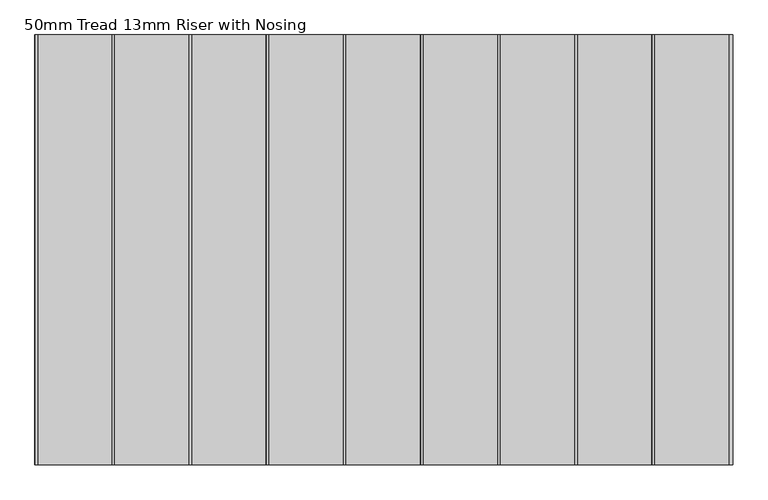
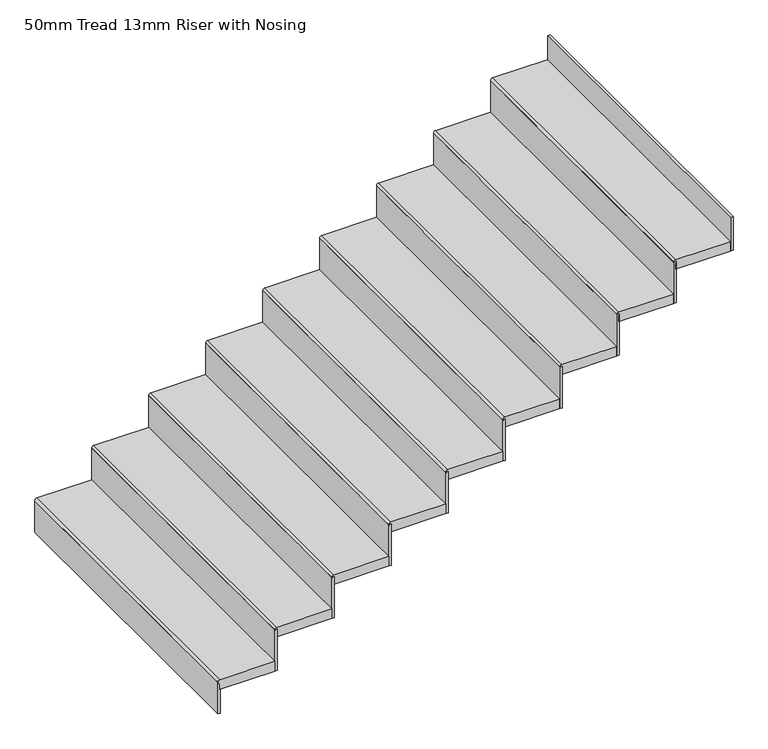
"""IFC4 building model written with IfcOpenShell, lengths in millimetres: stair flight geometry, 50mm Tread 13mm Riser with Nosing."""

from ifc_helpers import new_model, si_unit, point, frame, frame_2d, origin, place, context, project, spatial, polyline, circle_curve, trimmed, segment, composite_curve, outline, extrude, source, transform, mapped, element, save


def stair_flight_50mm_tread_13mm_riser_with_nosing_51b7e042(model_context):
    return source(origin(), model_context, "Body", "SweptSolid", [
        extrude(outline(composite_curve([segment(polyline([(10675.0, -23460.801725), (10675.0, -23730.801725)]), True, "CONTINUOUS"), segment(trimmed(circle_curve(frame_2d((10665.0, -23730.801725)), 10.0), [point((10675.0, -23730.801725))], [point((10655.0, -23730.801725))], False, "CARTESIAN"), True, "CONTINUOUS"), segment(polyline([(10655.0, -23730.801725), (10625.0, -23730.801725), (10625.0, -23460.801725), (10675.0, -23460.801725)]), True, "CONTINUOUS")], self_intersect=False)), frame((0.0, 15688.0068866, 0.0), z_axis=(0.0, 1.0, 0.0), x_axis=(0.0, 0.0, 1.0)), (0.0, 0.0, 1.0), 1558.6684835),
        extrude(outline(polyline([(-23728.301725, 15688.0068866), (-23740.801725, 15688.0068866), (-23740.801725, 17246.6753701), (-23728.301725, 17246.6753701), (-23728.301725, 15688.0068866)])), frame((0.0, 0.0, 10500.0), z_axis=(0.0, 0.0, 1.0), x_axis=(1.0, 0.0, 0.0)), (0.0, 0.0, 1.0), 165.0),
        extrude(outline(polyline([(-23448.301725, 15688.0068866), (-23460.801725, 15688.0068866), (-23460.801725, 17246.6753701), (-23448.301725, 17246.6753701), (-23448.301725, 15688.0068866)])), frame((0.0, 0.0, 10625.0), z_axis=(0.0, 0.0, 1.0), x_axis=(1.0, 0.0, 0.0)), (0.0, 0.0, 1.0), 215.0),
        extrude(outline(composite_curve([segment(polyline([(10850.0, -23180.801725), (10850.0, -23450.801725)]), True, "CONTINUOUS"), segment(trimmed(circle_curve(frame_2d((10840.0, -23450.801725)), 10.0), [point((10850.0, -23450.801725))], [point((10830.0, -23450.801725))], False, "CARTESIAN"), True, "CONTINUOUS"), segment(polyline([(10830.0, -23450.801725), (10800.0, -23450.801725), (10800.0, -23180.801725), (10850.0, -23180.801725)]), True, "CONTINUOUS")], self_intersect=False)), frame((0.0, 15688.0068866, 0.0), z_axis=(0.0, 1.0, 0.0), x_axis=(0.0, 0.0, 1.0)), (0.0, 0.0, 1.0), 1558.6684835),
        extrude(outline(polyline([(-23168.301725, 15688.0068866), (-23180.801725, 15688.0068866), (-23180.801725, 17246.6753701), (-23168.301725, 17246.6753701), (-23168.301725, 15688.0068866)])), frame((0.0, 0.0, 10800.0), z_axis=(0.0, 0.0, 1.0), x_axis=(1.0, 0.0, 0.0)), (0.0, 0.0, 1.0), 215.0),
        extrude(outline(composite_curve([segment(polyline([(11025.0, -22900.801725), (11025.0, -23170.801725)]), True, "CONTINUOUS"), segment(trimmed(circle_curve(frame_2d((11015.0, -23170.801725)), 10.0), [point((11025.0, -23170.801725))], [point((11005.0, -23170.801725))], False, "CARTESIAN"), True, "CONTINUOUS"), segment(polyline([(11005.0, -23170.801725), (10975.0, -23170.801725), (10975.0, -22900.801725), (11025.0, -22900.801725)]), True, "CONTINUOUS")], self_intersect=False)), frame((0.0, 15688.0068866, 0.0), z_axis=(0.0, 1.0, 0.0), x_axis=(0.0, 0.0, 1.0)), (0.0, 0.0, 1.0), 1558.6684835),
        extrude(outline(polyline([(-22888.301725, 15688.0068866), (-22900.801725, 15688.0068866), (-22900.801725, 17246.6753701), (-22888.301725, 17246.6753701), (-22888.301725, 15688.0068866)])), frame((0.0, 0.0, 10975.0), z_axis=(0.0, 0.0, 1.0), x_axis=(1.0, 0.0, 0.0)), (0.0, 0.0, 1.0), 215.0),
        extrude(outline(composite_curve([segment(polyline([(11200.0, -22620.801725), (11200.0, -22890.801725)]), True, "CONTINUOUS"), segment(trimmed(circle_curve(frame_2d((11190.0, -22890.801725)), 10.0), [point((11200.0, -22890.801725))], [point((11180.0, -22890.801725))], False, "CARTESIAN"), True, "CONTINUOUS"), segment(polyline([(11180.0, -22890.801725), (11150.0, -22890.801725), (11150.0, -22620.801725), (11200.0, -22620.801725)]), True, "CONTINUOUS")], self_intersect=False)), frame((0.0, 15688.0068866, 0.0), z_axis=(0.0, 1.0, 0.0), x_axis=(0.0, 0.0, 1.0)), (0.0, 0.0, 1.0), 1558.6684835),
        extrude(outline(polyline([(-22608.301725, 15688.0068866), (-22620.801725, 15688.0068866), (-22620.801725, 17246.6753701), (-22608.301725, 17246.6753701), (-22608.301725, 15688.0068866)])), frame((0.0, 0.0, 11150.0), z_axis=(0.0, 0.0, 1.0), x_axis=(1.0, 0.0, 0.0)), (0.0, 0.0, 1.0), 215.0),
        extrude(outline(composite_curve([segment(polyline([(11375.0, -22340.801725), (11375.0, -22610.801725)]), True, "CONTINUOUS"), segment(trimmed(circle_curve(frame_2d((11365.0, -22610.801725)), 10.0), [point((11375.0, -22610.801725))], [point((11355.0, -22610.801725))], False, "CARTESIAN"), True, "CONTINUOUS"), segment(polyline([(11355.0, -22610.801725), (11325.0, -22610.801725), (11325.0, -22340.801725), (11375.0, -22340.801725)]), True, "CONTINUOUS")], self_intersect=False)), frame((0.0, 15688.0068866, 0.0), z_axis=(0.0, 1.0, 0.0), x_axis=(0.0, 0.0, 1.0)), (0.0, 0.0, 1.0), 1558.6684835),
        extrude(outline(polyline([(-22328.301725, 15688.0068866), (-22340.801725, 15688.0068866), (-22340.801725, 17246.6753701), (-22328.301725, 17246.6753701), (-22328.301725, 15688.0068866)])), frame((0.0, 0.0, 11325.0), z_axis=(0.0, 0.0, 1.0), x_axis=(1.0, 0.0, 0.0)), (0.0, 0.0, 1.0), 215.0),
        extrude(outline(composite_curve([segment(polyline([(11550.0, -22060.801725), (11550.0, -22330.801725)]), True, "CONTINUOUS"), segment(trimmed(circle_curve(frame_2d((11540.0, -22330.801725)), 10.0), [point((11550.0, -22330.801725))], [point((11530.0, -22330.801725))], False, "CARTESIAN"), True, "CONTINUOUS"), segment(polyline([(11530.0, -22330.801725), (11500.0, -22330.801725), (11500.0, -22060.801725), (11550.0, -22060.801725)]), True, "CONTINUOUS")], self_intersect=False)), frame((0.0, 15688.0068866, 0.0), z_axis=(0.0, 1.0, 0.0), x_axis=(0.0, 0.0, 1.0)), (0.0, 0.0, 1.0), 1558.6684835),
        extrude(outline(polyline([(-22048.301725, 15688.0068866), (-22060.801725, 15688.0068866), (-22060.801725, 17246.6753701), (-22048.301725, 17246.6753701), (-22048.301725, 15688.0068866)])), frame((0.0, 0.0, 11500.0), z_axis=(0.0, 0.0, 1.0), x_axis=(1.0, 0.0, 0.0)), (0.0, 0.0, 1.0), 215.0),
        extrude(outline(composite_curve([segment(polyline([(11725.0, -21780.801725), (11725.0, -22050.801725)]), True, "CONTINUOUS"), segment(trimmed(circle_curve(frame_2d((11715.0, -22050.801725)), 10.0), [point((11725.0, -22050.801725))], [point((11705.0, -22050.801725))], False, "CARTESIAN"), True, "CONTINUOUS"), segment(polyline([(11705.0, -22050.801725), (11675.0, -22050.801725), (11675.0, -21780.801725), (11725.0, -21780.801725)]), True, "CONTINUOUS")], self_intersect=False)), frame((0.0, 15688.0068866, 0.0), z_axis=(0.0, 1.0, 0.0), x_axis=(0.0, 0.0, 1.0)), (0.0, 0.0, 1.0), 1558.6684835),
        extrude(outline(polyline([(-21768.301725, 15688.0068866), (-21780.801725, 15688.0068866), (-21780.801725, 17246.6753701), (-21768.301725, 17246.6753701), (-21768.301725, 15688.0068866)])), frame((0.0, 0.0, 11675.0), z_axis=(0.0, 0.0, 1.0), x_axis=(1.0, 0.0, 0.0)), (0.0, 0.0, 1.0), 215.0),
        extrude(outline(composite_curve([segment(polyline([(11900.0, -21500.801725), (11900.0, -21770.801725)]), True, "CONTINUOUS"), segment(trimmed(circle_curve(frame_2d((11890.0, -21770.801725)), 10.0), [point((11900.0, -21770.801725))], [point((11880.0, -21770.801725))], False, "CARTESIAN"), True, "CONTINUOUS"), segment(polyline([(11880.0, -21770.801725), (11850.0, -21770.801725), (11850.0, -21500.801725), (11900.0, -21500.801725)]), True, "CONTINUOUS")], self_intersect=False)), frame((0.0, 15688.0068866, 0.0), z_axis=(0.0, 1.0, 0.0), x_axis=(0.0, 0.0, 1.0)), (0.0, 0.0, 1.0), 1558.6684835),
        extrude(outline(polyline([(-21488.301725, 15688.0068866), (-21500.801725, 15688.0068866), (-21500.801725, 17246.6753701), (-21488.301725, 17246.6753701), (-21488.301725, 15688.0068866)])), frame((0.0, 0.0, 11850.0), z_axis=(0.0, 0.0, 1.0), x_axis=(1.0, 0.0, 0.0)), (0.0, 0.0, 1.0), 215.0),
        extrude(outline(polyline([(-21208.301725, 15688.0068866), (-21220.801725, 15688.0068866), (-21220.801725, 17246.6753701), (-21208.301725, 17246.6753701), (-21208.301725, 15688.0068866)])), frame((0.0, 0.0, 12025.0), z_axis=(0.0, 0.0, 1.0), x_axis=(1.0, 0.0, 0.0)), (0.0, 0.0, 1.0), 175.0),
        extrude(outline(composite_curve([segment(polyline([(12075.0, -21220.801725), (12075.0, -21490.801725)]), True, "CONTINUOUS"), segment(trimmed(circle_curve(frame_2d((12065.0, -21490.801725)), 10.0), [point((12075.0, -21490.801725))], [point((12055.0, -21490.801725))], False, "CARTESIAN"), True, "CONTINUOUS"), segment(polyline([(12055.0, -21490.801725), (12025.0, -21490.801725), (12025.0, -21220.801725), (12075.0, -21220.801725)]), True, "CONTINUOUS")], self_intersect=False)), frame((0.0, 15688.0068866, 0.0), z_axis=(0.0, 1.0, 0.0), x_axis=(0.0, 0.0, 1.0)), (0.0, 0.0, 1.0), 1558.6684835),
    ])


if __name__ == "__main__":
    model = new_model("IFC4")
    model_context = context("Model", 3, world=origin())
    ifc_project = project(units=[si_unit("LENGTHUNIT", "METRE", prefix="MILLI")], contexts=[model_context])
    site = spatial("IfcSite", under=ifc_project)
    building = spatial("IfcBuilding", under=site)
    placement = place(None, origin())
    stair_flight_50mm_tread_13mm_riser_with_nosing_shape = stair_flight_50mm_tread_13mm_riser_with_nosing_51b7e042(model_context)
    element("IfcStairFlight", 1, ObjectType="50mm Tread 13mm Riser with Nosing", at=placement, inside=building, context=model_context, shape_type="MappedRepresentation", body=[
        mapped(stair_flight_50mm_tread_13mm_riser_with_nosing_shape, transform((0.0, 0.0, 0.0), x_axis=(1.0, 0.0, 0.0), y_axis=(0.0, 1.0, 0.0), z_axis=(0.0, 0.0, 1.0))),
    ])
    save(model, "model.ifc")
